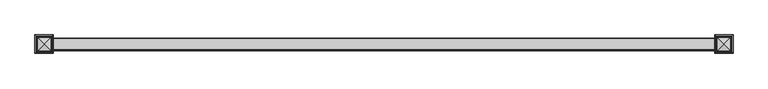
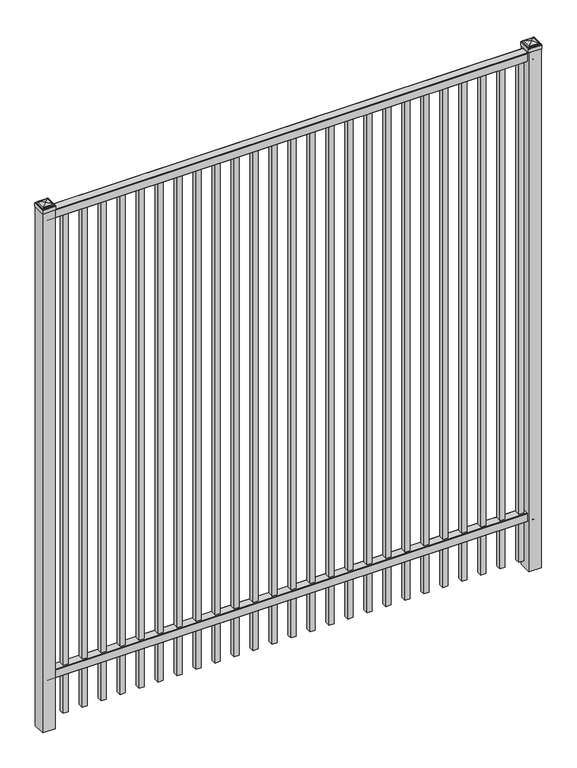
"""IFC4 building model written with IfcOpenShell, lengths in millimetres: railing geometry."""

import ifcopenshell
import ifcopenshell.guid

model = None  # the IFC model being written
_history = None  # IfcOwnerHistory: only IFC2X3 demands one
_inside = {}  # id of a spatial element -> (the spatial element, [elements in it])
_under = {}  # id of a project, library or spatial element -> (it, [spatial elements below it])
_declared = {}  # id of a project -> (the project, [libraries it declares])
_typed = {}  # id of a type object -> (the type object, [elements of that type])
_made_of = {}  # id of a material, layer set ... -> (it, [elements and type objects made of it])


def new_model(schema):
    """Start an empty IFC model of exactly this schema.

    Asked for "IFC4X3", IfcOpenShell would pick the latest addendum, in which some entities
    have other attributes; the version numbers below select the first issue.
    IFC2X3 requires an IfcOwnerHistory on every rooted entity: one is made here for all.
    """
    global model, _history
    if schema == "IFC4X3":
        model = ifcopenshell.file(schema_version=(4, 3, 0, 0))
    else:
        model = ifcopenshell.file(schema=schema)
    _inside.clear()
    _under.clear()
    _declared.clear()
    _typed.clear()
    _made_of.clear()
    _history = None
    if model.schema == "IFC2X3":
        org = make("IfcOrganization", Name="unknown")
        user = make(
            "IfcPersonAndOrganization",
            ThePerson=make("IfcPerson", FamilyName="unknown"),
            TheOrganization=org,
        )
        app = make(
            "IfcApplication",
            ApplicationDeveloper=org,
            Version="unknown",
            ApplicationFullName="unknown",
            ApplicationIdentifier="unknown",
        )
        _history = make(
            "IfcOwnerHistory",
            OwningUser=user,
            OwningApplication=app,
            ChangeAction="ADDED",
            CreationDate=0,
        )
    return model


def make(cls, **values):
    """One entity of the class cls with the attributes given. An attribute that is None is left unset."""
    return model.create_entity(
        cls, **{name: value for name, value in values.items() if value is not None}
    )


def rooted(cls, **values):
    """An entity with a GlobalId (a new one), such as an element, a storey or a relation."""
    return make(cls, GlobalId=ifcopenshell.guid.new(), OwnerHistory=_history, **values)


def si_unit(unit_type, name, prefix=None):
    """IfcSIUnit, for example si_unit("LENGTHUNIT", "METRE", prefix="MILLI")."""
    return make("IfcSIUnit", UnitType=unit_type, Prefix=prefix, Name=name)


def assignment(units):
    """IfcUnitAssignment: the units of a project."""
    return None if units is None else make("IfcUnitAssignment", Units=units)


def point(xyz):
    """IfcCartesianPoint."""
    return None if xyz is None else make("IfcCartesianPoint", Coordinates=xyz)


def direction(xyz):
    """IfcDirection."""
    return None if xyz is None else make("IfcDirection", DirectionRatios=xyz)


def frame(location, z_axis=None, x_axis=None):
    """IfcAxis2Placement3D, a coordinate frame: its origin and axes. An axis left out is left unset."""
    return make(
        "IfcAxis2Placement3D",
        Location=point(location),
        Axis=direction(z_axis),
        RefDirection=direction(x_axis),
    )


def frame_2d(location, x_axis=None):
    """IfcAxis2Placement2D, a coordinate frame in the plane: its origin and x axis."""
    return make(
        "IfcAxis2Placement2D", Location=point(location), RefDirection=direction(x_axis)
    )


def origin():
    """The frame at (0, 0, 0) with its axes left unset."""
    return frame((0.0, 0.0, 0.0))


def origin_with_axes():
    """The frame at (0, 0, 0) with the z axis (0, 0, 1) and the x axis (1, 0, 0) written out."""
    return frame((0.0, 0.0, 0.0), z_axis=(0.0, 0.0, 1.0), x_axis=(1.0, 0.0, 0.0))


def place(relative_to, where):
    """IfcLocalPlacement: puts the frame where relative to a parent placement (None: the world)."""
    return make(
        "IfcLocalPlacement", PlacementRelTo=relative_to, RelativePlacement=where
    )


def context(
    kind, dimensions, precision=None, world=None, true_north=None, identifier=None
):
    """IfcGeometricRepresentationContext, for example the 3D "Model" context."""
    return make(
        "IfcGeometricRepresentationContext",
        ContextIdentifier=identifier,
        ContextType=kind,
        CoordinateSpaceDimension=dimensions,
        Precision=precision,
        WorldCoordinateSystem=world,
        TrueNorth=true_north,
    )


def project(units=None, contexts=None):
    """IfcProject with its units and contexts."""
    return rooted(
        "IfcProject",
        Name="project",
        RepresentationContexts=contexts,
        UnitsInContext=assignment(units),
    )


def spatial(cls, under=None, at=None, **own):
    """A site, building, storey or space (cls), placed at a placement, below another one or the project."""
    s = rooted(cls, ObjectPlacement=at, **own)
    if under is not None:
        _under.setdefault(under.id(), (under, []))[1].append(s)
    return s


def polyline(points):
    """IfcPolyline through the points."""
    return make("IfcPolyline", Points=[point(p) for p in points])


def circle_curve(where, radius):
    """IfcCircle in the frame where."""
    return make("IfcCircle", Position=where, Radius=radius)


def ellipse_curve(where, semi_axis1, semi_axis2):
    """IfcEllipse in the frame where."""
    return make(
        "IfcEllipse", Position=where, SemiAxis1=semi_axis1, SemiAxis2=semi_axis2
    )


def trimmed(basis, trim1, trim2, sense, master):
    """IfcTrimmedCurve: the piece of a basis curve between two trims."""
    return make(
        "IfcTrimmedCurve",
        BasisCurve=basis,
        Trim1=trim1,
        Trim2=trim2,
        SenseAgreement=sense,
        MasterRepresentation=master,
    )


def segment(curve, same_sense, transition):
    """IfcCompositeCurveSegment."""
    return make(
        "IfcCompositeCurveSegment",
        Transition=transition,
        SameSense=same_sense,
        ParentCurve=curve,
    )


def composite_curve(segments, self_intersect=None):
    """IfcCompositeCurve: segments joined end to end."""
    return make("IfcCompositeCurve", Segments=segments, SelfIntersect=self_intersect)


def outline(outer, holes=None, kind="AREA"):
    """IfcArbitraryClosedProfileDef: a profile drawn as a closed curve; with holes, ...WithVoids."""
    if holes is None:
        return make("IfcArbitraryClosedProfileDef", ProfileType=kind, OuterCurve=outer)
    return make(
        "IfcArbitraryProfileDefWithVoids",
        ProfileType=kind,
        OuterCurve=outer,
        InnerCurves=holes,
    )


def extrude(swept, where, along, depth):
    """IfcExtrudedAreaSolid: the profile swept, set in the frame where, extruded along a direction by depth."""
    return make(
        "IfcExtrudedAreaSolid",
        SweptArea=swept,
        Position=where,
        ExtrudedDirection=direction(along),
        Depth=depth,
    )


def shape(context_of_items, identifier, shape_type, items):
    """IfcShapeRepresentation: the items that make up one representation, for example the "Body"."""
    return make(
        "IfcShapeRepresentation",
        ContextOfItems=context_of_items,
        RepresentationIdentifier=identifier,
        RepresentationType=shape_type,
        Items=items,
    )


def source(mapping_origin, context_of_items, identifier, shape_type, items):
    """IfcRepresentationMap: a shape defined once, which mapped items show again and again."""
    return make(
        "IfcRepresentationMap",
        MappingOrigin=mapping_origin,
        MappedRepresentation=shape(context_of_items, identifier, shape_type, items),
    )


def transform(
    local_origin,
    x_axis=None,
    y_axis=None,
    z_axis=None,
    scale=None,
    scale2=None,
    scale3=None,
    uniform=True,
):
    """IfcCartesianTransformationOperator3D, or its non-uniform kind. x_axis, y_axis, z_axis: its Axis1, 2, 3."""
    if uniform:
        return make(
            "IfcCartesianTransformationOperator3D",
            Axis1=direction(x_axis),
            Axis2=direction(y_axis),
            LocalOrigin=point(local_origin),
            Scale=scale,
            Axis3=direction(z_axis),
        )
    return make(
        "IfcCartesianTransformationOperator3DnonUniform",
        Axis1=direction(x_axis),
        Axis2=direction(y_axis),
        LocalOrigin=point(local_origin),
        Scale=scale,
        Axis3=direction(z_axis),
        Scale2=scale2,
        Scale3=scale3,
    )


def mapped(mapping_source, mapping_target):
    """IfcMappedItem: shows the shape of a source again, moved by a transform."""
    return make(
        "IfcMappedItem", MappingSource=mapping_source, MappingTarget=mapping_target
    )


def made_of(thing, what):
    """Note that an element or type object is made of a material, layer set ...; save() writes the relation."""
    if what is not None:
        _made_of.setdefault(what.id(), (what, []))[1].append(thing)
    return thing


def element(
    cls,
    number,
    at=None,
    inside=None,
    cuts=None,
    type_object=None,
    material=None,
    context=None,
    identifier="Body",
    shape_type=None,
    held_by="IfcProductDefinitionShape",
    body=None,
    shapes=None,
    **own,
):
    """One element of the class cls, such as IfcWall. Its Tag is "e" and its number.

    at: its placement. inside: the storey or other place that contains it. cuts: it is an
    opening in that element (IfcRelVoidsElement). A single representation is given by context,
    identifier, shape_type and body (its items); several are given by shapes. held_by: the class
    of the entity that holds the representations. save() writes the other relations.
    """
    e = rooted(cls, Tag="e%d" % number, ObjectPlacement=at, **own)
    if body is not None:
        shapes = [shape(context, identifier, shape_type, body)]
    if shapes is not None:
        e.Representation = make(held_by, Representations=shapes)
    if inside is not None:
        _inside.setdefault(inside.id(), (inside, []))[1].append(e)
    if cuts is not None:
        rooted(
            "IfcRelVoidsElement", RelatingBuildingElement=cuts, RelatedOpeningElement=e
        )
    if type_object is not None:
        _typed.setdefault(type_object.id(), (type_object, []))[1].append(e)
    return made_of(e, material)


def aggregate(whole, parts):
    """IfcRelAggregates: a whole, such as a stair, and the parts it consists of."""
    return rooted("IfcRelAggregates", RelatingObject=whole, RelatedObjects=parts)


def save(model, path):
    """Write the relations noted so far, then the file.

    IfcRelAggregates (storeys below a building ...), IfcRelContainedInSpatialStructure (elements
    in a storey), IfcRelDefinesByType, IfcRelAssociatesMaterial and IfcRelDeclares: one each for
    every whole, place, type object, material and project.
    """
    for whole, parts in _under.values():
        aggregate(whole, parts)
    for where, things in _inside.values():
        rooted(
            "IfcRelContainedInSpatialStructure",
            RelatedElements=things,
            RelatingStructure=where,
        )
    for kind, things in _typed.values():
        rooted("IfcRelDefinesByType", RelatedObjects=things, RelatingType=kind)
    for what, things in _made_of.values():
        rooted("IfcRelAssociatesMaterial", RelatedObjects=things, RelatingMaterial=what)
    for by, libraries in _declared.values():
        rooted("IfcRelDeclares", RelatingContext=by, RelatedDefinitions=libraries)
    model.write(path)


def plane_surface(at):
    """IfcPlane: the flat surface through the origin of the frame at, square to its z axis."""
    return make("IfcPlane", Position=at)


def cylinder_surface(at, radius):
    """IfcCylindricalSurface: all points at the distance radius from the z axis of the frame at."""
    return make("IfcCylindricalSurface", Position=at, Radius=radius)


def advanced_brep(points, edges, surfaces, faces):
    """IfcAdvancedBrep: a solid bounded by faces that lie on surfaces and meet in shared edges.

    An edge is (start, end): straight between two places in points (the first is 0);
    or (start, end, curve); or (start, end, curve, False) where it runs against its curve.
    A face is (place in surfaces, loops), or (place, loops, False) where it looks against
    its surface's normal. A loop lists edges by number (the first is 1), with a minus sign
    where the edge is run from its end to its start. The first loop is the outer one.
    """
    corners = [point(p) for p in points]
    vertices = [make("IfcVertexPoint", VertexGeometry=c) for c in corners]
    made = []
    for start, end, *more in edges:
        made.append(
            make(
                "IfcEdgeCurve",
                EdgeStart=vertices[start],
                EdgeEnd=vertices[end],
                EdgeGeometry=more[0] if more else make("IfcPolyline", Points=[corners[start], corners[end]]),
                SameSense=more[1] if len(more) > 1 else True,
            )
        )
    hull = []
    for where, loops, *sense in faces:
        bounds = []
        for j, loop in enumerate(loops):
            ring = [make("IfcOrientedEdge", EdgeElement=made[abs(k) - 1], Orientation=k > 0) for k in loop]
            bounds.append(
                make(
                    "IfcFaceOuterBound" if j == 0 else "IfcFaceBound",
                    Bound=make("IfcEdgeLoop", EdgeList=ring),
                    Orientation=True,
                )
            )
        hull.append(make("IfcAdvancedFace", Bounds=bounds, FaceSurface=surfaces[where], SameSense=sense[0] if sense else True))
    return make("IfcAdvancedBrep", Outer=make("IfcClosedShell", CfsFaces=hull))


def railing_3e366024(model_context):
    return source(origin(), model_context, "Body", "SolidModel", [
        extrude(outline(composite_curve([segment(polyline([(5777.9139761, 304.8), (5815.969541, 304.8)]), True, "CONTINUOUS"), segment(trimmed(circle_curve(frame_2d((5815.969541, 301.625)), 3.175), [point((5815.969541, 304.8))], [point((5819.144541, 301.625))], False, "CARTESIAN"), True, "CONTINUOUS"), segment(polyline([(5819.144541, 301.625), (5819.144541, 262.1439893)]), True, "CONTINUOUS"), segment(trimmed(circle_curve(frame_2d((5817.3505518, 262.1439893)), 1.7939893), [point((5819.144541, 262.1439893))], [point((5817.3505518, 260.35))], False, "CARTESIAN"), True, "CONTINUOUS"), segment(polyline([(5817.3505518, 260.35), (5814.7590713, 260.35)]), True, "CONTINUOUS"), segment(trimmed(circle_curve(frame_2d((5814.7590713, 262.1359375)), 1.7859375), [point((5814.7590713, 260.35))], [point((5812.9755813, 262.0424688))], False, "CARTESIAN"), True, "CONTINUOUS"), segment(polyline([(5812.9755813, 262.0424688), (5811.4025867, 292.0569942), (5782.4364954, 292.0569942), (5780.8635007, 262.0424688)]), True, "CONTINUOUS"), segment(trimmed(circle_curve(frame_2d((5779.0800108, 262.1359375)), 1.7859375), [point((5780.8635007, 262.0424688))], [point((5779.0800108, 260.35))], False, "CARTESIAN"), True, "CONTINUOUS"), segment(polyline([(5779.0800108, 260.35), (5776.4804785, 260.35)]), True, "CONTINUOUS"), segment(trimmed(circle_curve(frame_2d((5776.4804785, 262.1359375)), 1.7859375), [point((5776.4804785, 260.35))], [point((5774.694541, 262.1359375))], False, "CARTESIAN"), True, "CONTINUOUS"), segment(polyline([(5774.694541, 262.1359375), (5774.694541, 301.5805649)]), True, "CONTINUOUS"), segment(trimmed(circle_curve(frame_2d((5777.9139761, 301.5805649)), 3.2194351), [point((5774.694541, 301.5805649))], [point((5777.9139761, 304.8))], False, "CARTESIAN"), True, "CONTINUOUS")], self_intersect=False)), frame((-15337.0649936, 0.0, 0.0), z_axis=(1.0, 0.0, 0.0), x_axis=(0.0, 1.0, 0.0)), (0.0, 0.0, 1.0), 2438.4),
        extrude(outline(composite_curve([segment(polyline([(5777.9139761, 2743.2), (5815.969541, 2743.2)]), True, "CONTINUOUS"), segment(trimmed(circle_curve(frame_2d((5815.969541, 2740.025)), 3.175), [point((5815.969541, 2743.2))], [point((5819.144541, 2740.025))], False, "CARTESIAN"), True, "CONTINUOUS"), segment(polyline([(5819.144541, 2740.025), (5819.144541, 2700.5439893)]), True, "CONTINUOUS"), segment(trimmed(circle_curve(frame_2d((5817.3505518, 2700.5439893)), 1.7939893), [point((5819.144541, 2700.5439893))], [point((5817.3505518, 2698.75))], False, "CARTESIAN"), True, "CONTINUOUS"), segment(polyline([(5817.3505518, 2698.75), (5814.7590713, 2698.75)]), True, "CONTINUOUS"), segment(trimmed(circle_curve(frame_2d((5814.7590713, 2700.5359375)), 1.7859375), [point((5814.7590713, 2698.75))], [point((5812.9755813, 2700.4424688))], False, "CARTESIAN"), True, "CONTINUOUS"), segment(polyline([(5812.9755813, 2700.4424688), (5811.4025867, 2730.4569942), (5782.4364954, 2730.4569942), (5780.8635007, 2700.4424688)]), True, "CONTINUOUS"), segment(trimmed(circle_curve(frame_2d((5779.0800108, 2700.5359375)), 1.7859375), [point((5780.8635007, 2700.4424688))], [point((5779.0800108, 2698.75))], False, "CARTESIAN"), True, "CONTINUOUS"), segment(polyline([(5779.0800108, 2698.75), (5776.4804785, 2698.75)]), True, "CONTINUOUS"), segment(trimmed(circle_curve(frame_2d((5776.4804785, 2700.5359375)), 1.7859375), [point((5776.4804785, 2698.75))], [point((5774.694541, 2700.5359375))], False, "CARTESIAN"), True, "CONTINUOUS"), segment(polyline([(5774.694541, 2700.5359375), (5774.694541, 2739.9805649)]), True, "CONTINUOUS"), segment(trimmed(circle_curve(frame_2d((5777.9139761, 2739.9805649)), 3.2194351), [point((5774.694541, 2739.9805649))], [point((5777.9139761, 2743.2))], False, "CARTESIAN"), True, "CONTINUOUS")], self_intersect=False)), frame((-15337.0649936, 0.0, 0.0), z_axis=(1.0, 0.0, 0.0), x_axis=(0.0, 1.0, 0.0)), (0.0, 0.0, 1.0), 2438.4),
        extrude(outline(polyline([(0.0, -2647.95), (0.0, 0.0), (25.4, 0.0), (25.4, -2647.95), (0.0, -2647.95)])), frame((-12943.1149864, 5809.619541, 2698.75), z_axis=(-1.0, 0.0, 1.5671138008369403e-09), x_axis=(0.0, -1.0, 0.0)), (0.0, 0.0, 1.0), 25.4),
        extrude(outline(polyline([(0.0, -2647.95), (0.0, 0.0), (25.4, 0.0), (25.4, -2647.95), (0.0, -2647.95)])), frame((-13038.3649864, 5809.619541, 2698.75), z_axis=(-1.0, 0.0, 1.5671138008369403e-09), x_axis=(0.0, -1.0, 0.0)), (0.0, 0.0, 1.0), 25.4),
        extrude(outline(polyline([(0.0, -2647.95), (0.0, 0.0), (25.4, 0.0), (25.4, -2647.95), (0.0, -2647.95)])), frame((-13133.6149864, 5809.619541, 2698.75), z_axis=(-1.0, 0.0, 1.5671138008369403e-09), x_axis=(0.0, -1.0, 0.0)), (0.0, 0.0, 1.0), 25.4),
        extrude(outline(polyline([(0.0, -2647.95), (0.0, 0.0), (25.4, 0.0), (25.4, -2647.95), (0.0, -2647.95)])), frame((-13228.8649864, 5809.619541, 2698.75), z_axis=(-1.0, 0.0, 1.5671138008369403e-09), x_axis=(0.0, -1.0, 0.0)), (0.0, 0.0, 1.0), 25.4),
        extrude(outline(polyline([(0.0, -2647.95), (0.0, 0.0), (25.4, 0.0), (25.4, -2647.95), (0.0, -2647.95)])), frame((-13324.1149864, 5809.619541, 2698.75), z_axis=(-1.0, 0.0, 1.5671138008369403e-09), x_axis=(0.0, -1.0, 0.0)), (0.0, 0.0, 1.0), 25.4),
        extrude(outline(polyline([(0.0, -2647.95), (0.0, 0.0), (25.4, 0.0), (25.4, -2647.95), (0.0, -2647.95)])), frame((-13419.3649864, 5809.619541, 2698.75), z_axis=(-1.0, 0.0, 1.5671138008369403e-09), x_axis=(0.0, -1.0, 0.0)), (0.0, 0.0, 1.0), 25.4),
        extrude(outline(polyline([(0.0, -2647.95), (0.0, 0.0), (25.4, 0.0), (25.4, -2647.95), (0.0, -2647.95)])), frame((-13514.6149864, 5809.619541, 2698.75), z_axis=(-1.0, 0.0, 1.5671138008369403e-09), x_axis=(0.0, -1.0, 0.0)), (0.0, 0.0, 1.0), 25.4),
        extrude(outline(polyline([(0.0, -2647.95), (0.0, 0.0), (25.4, 0.0), (25.4, -2647.95), (0.0, -2647.95)])), frame((-13609.8649864, 5809.619541, 2698.75), z_axis=(-1.0, 0.0, 1.5671138008369403e-09), x_axis=(0.0, -1.0, 0.0)), (0.0, 0.0, 1.0), 25.4),
        extrude(outline(polyline([(0.0, -2647.95), (0.0, 0.0), (25.4, 0.0), (25.4, -2647.95), (0.0, -2647.95)])), frame((-13705.1149864, 5809.619541, 2698.75), z_axis=(-1.0, 0.0, 1.5671138008369403e-09), x_axis=(0.0, -1.0, 0.0)), (0.0, 0.0, 1.0), 25.4),
        extrude(outline(polyline([(0.0, -2647.95), (0.0, 0.0), (25.4, 0.0), (25.4, -2647.95), (0.0, -2647.95)])), frame((-13800.3649864, 5809.619541, 2698.75), z_axis=(-1.0, 0.0, 1.5671138008369403e-09), x_axis=(0.0, -1.0, 0.0)), (0.0, 0.0, 1.0), 25.4),
        extrude(outline(polyline([(0.0, -2647.95), (0.0, 0.0), (25.4, 0.0), (25.4, -2647.95), (0.0, -2647.95)])), frame((-13895.6149864, 5809.619541, 2698.75), z_axis=(-1.0, 0.0, 1.5671138008369403e-09), x_axis=(0.0, -1.0, 0.0)), (0.0, 0.0, 1.0), 25.4),
        extrude(outline(polyline([(0.0, -2647.95), (0.0, 0.0), (25.4, 0.0), (25.4, -2647.95), (0.0, -2647.95)])), frame((-13990.8649864, 5809.619541, 2698.75), z_axis=(-1.0, 0.0, 1.5671138008369403e-09), x_axis=(0.0, -1.0, 0.0)), (0.0, 0.0, 1.0), 25.4),
        extrude(outline(polyline([(0.0, -2647.95), (0.0, 0.0), (25.4, 0.0), (25.4, -2647.95), (0.0, -2647.95)])), frame((-14086.1149864, 5809.619541, 2698.75), z_axis=(-1.0, 0.0, 1.5671138008369403e-09), x_axis=(0.0, -1.0, 0.0)), (0.0, 0.0, 1.0), 25.4),
        extrude(outline(polyline([(0.0, -2647.95), (0.0, 0.0), (25.4, 0.0), (25.4, -2647.95), (0.0, -2647.95)])), frame((-14181.3649864, 5809.619541, 2698.75), z_axis=(-1.0, 0.0, 1.5671138008369403e-09), x_axis=(0.0, -1.0, 0.0)), (0.0, 0.0, 1.0), 25.4),
        extrude(outline(polyline([(0.0, -2647.95), (0.0, 0.0), (25.4, 0.0), (25.4, -2647.95), (0.0, -2647.95)])), frame((-14276.6149864, 5809.619541, 2698.75), z_axis=(-1.0, 0.0, 1.5671138008369403e-09), x_axis=(0.0, -1.0, 0.0)), (0.0, 0.0, 1.0), 25.4),
        extrude(outline(polyline([(0.0, -2647.95), (0.0, 0.0), (25.4, 0.0), (25.4, -2647.95), (0.0, -2647.95)])), frame((-14371.8649864, 5809.619541, 2698.75), z_axis=(-1.0, 0.0, 1.5671138008369403e-09), x_axis=(0.0, -1.0, 0.0)), (0.0, 0.0, 1.0), 25.4),
        extrude(outline(polyline([(0.0, -2647.95), (0.0, 0.0), (25.4, 0.0), (25.4, -2647.95), (0.0, -2647.95)])), frame((-14467.1149864, 5809.619541, 2698.75), z_axis=(-1.0, 0.0, 1.5671138008369403e-09), x_axis=(0.0, -1.0, 0.0)), (0.0, 0.0, 1.0), 25.4),
        extrude(outline(polyline([(0.0, -2647.95), (0.0, 0.0), (25.4, 0.0), (25.4, -2647.95), (0.0, -2647.95)])), frame((-14562.3649864, 5809.619541, 2698.75), z_axis=(-1.0, 0.0, 1.5671138008369403e-09), x_axis=(0.0, -1.0, 0.0)), (0.0, 0.0, 1.0), 25.4),
        extrude(outline(polyline([(0.0, -2647.95), (0.0, 0.0), (25.4, 0.0), (25.4, -2647.95), (0.0, -2647.95)])), frame((-14657.6149864, 5809.619541, 2698.75), z_axis=(-1.0, 0.0, 1.5671138008369403e-09), x_axis=(0.0, -1.0, 0.0)), (0.0, 0.0, 1.0), 25.4),
        extrude(outline(polyline([(0.0, -2647.95), (0.0, 0.0), (25.4, 0.0), (25.4, -2647.95), (0.0, -2647.95)])), frame((-14752.8649864, 5809.619541, 2698.75), z_axis=(-1.0, 0.0, 1.5671138008369403e-09), x_axis=(0.0, -1.0, 0.0)), (0.0, 0.0, 1.0), 25.4),
        extrude(outline(polyline([(0.0, -2647.95), (0.0, 0.0), (25.4, 0.0), (25.4, -2647.95), (0.0, -2647.95)])), frame((-14848.1149864, 5809.619541, 2698.75), z_axis=(-1.0, 0.0, 1.5671138008369403e-09), x_axis=(0.0, -1.0, 0.0)), (0.0, 0.0, 1.0), 25.4),
        extrude(outline(polyline([(0.0, -2647.95), (0.0, 0.0), (25.4, 0.0), (25.4, -2647.95), (0.0, -2647.95)])), frame((-14943.3649864, 5809.619541, 2698.75), z_axis=(-1.0, 0.0, 1.5671138008369403e-09), x_axis=(0.0, -1.0, 0.0)), (0.0, 0.0, 1.0), 25.4),
        extrude(outline(polyline([(0.0, -2647.95), (0.0, 0.0), (25.4, 0.0), (25.4, -2647.95), (0.0, -2647.95)])), frame((-15038.6149864, 5809.619541, 2698.75), z_axis=(-1.0, 0.0, 1.5671138008369403e-09), x_axis=(0.0, -1.0, 0.0)), (0.0, 0.0, 1.0), 25.4),
        extrude(outline(polyline([(0.0, -2647.95), (0.0, 0.0), (25.4, 0.0), (25.4, -2647.95), (0.0, -2647.95)])), frame((-15133.8649864, 5809.619541, 2698.75), z_axis=(-1.0, 0.0, 1.5671138008369403e-09), x_axis=(0.0, -1.0, 0.0)), (0.0, 0.0, 1.0), 25.4),
        extrude(outline(polyline([(0.0, -2647.95), (0.0, 0.0), (25.4, 0.0), (25.4, -2647.95), (0.0, -2647.95)])), frame((-15229.1149864, 5809.619541, 2698.75), z_axis=(-1.0, 0.0, 1.5671138008369403e-09), x_axis=(0.0, -1.0, 0.0)), (0.0, 0.0, 1.0), 25.4),
        extrude(outline(polyline([(-12866.9149936, 5828.669541), (-12866.9149936, 5765.169541), (-12930.4149936, 5765.169541), (-12930.4149936, 5828.669541), (-12866.9149936, 5828.669541)])), origin_with_axes(), (0.0, 0.0, 1.0), 2751.1375),
        advanced_brep(
        [(-12932.0024936, 5830.257041, 2769.39375), (-12932.0024936, 5830.257041, 2751.1375), (-12932.0024936, 5763.582041, 2751.1375), (-12932.0024936, 5763.582041, 2769.39375), (-12929.6212436, 5827.875791, 2771.775), (-12929.6212436, 5765.963291, 2771.775), (-12927.2399936, 5825.494541, 2774.15625), (-12927.2399936, 5825.494541, 2771.775), (-12927.2399936, 5768.344541, 2771.775), (-12927.2399936, 5768.344541, 2774.15625), (-12924.8587436, 5823.113291, 2776.5375), (-12924.8587436, 5770.725791, 2776.5375), (-12898.6649936, 5796.919541, 2782.8875), (-12922.4774936, 5820.732041, 2776.5375), (-12922.4774936, 5773.107041, 2776.5375), (-12865.3274936, 5763.582041, 2751.1375), (-12865.3274936, 5763.582041, 2769.39375), (-12867.7087436, 5765.963291, 2771.775), (-12870.0899936, 5768.344541, 2771.775), (-12870.0899936, 5768.344541, 2774.15625), (-12872.4712436, 5770.725791, 2776.5375), (-12874.8524936, 5773.107041, 2776.5375), (-12865.3274936, 5830.257041, 2751.1375), (-12865.3274936, 5830.257041, 2769.39375), (-12867.7087436, 5827.875791, 2771.775), (-12870.0899936, 5825.494541, 2771.775), (-12870.0899936, 5825.494541, 2774.15625), (-12872.4712436, 5823.113291, 2776.5375), (-12874.8524936, 5820.732041, 2776.5375)],
        [
            (0, 1),
            (1, 2),
            (2, 3),
            (3, 0),
            (4, 0, ellipse_curve(frame((-12929.6212436, 5827.875791, 2769.39375), z_axis=(-0.70710678118655, -0.7071067811865449, 0.0), x_axis=(-0.7071067811865448, 0.7071067811865501, 0.0)), 3.367596, 2.38125)),
            (3, 5, ellipse_curve(frame((-12929.6212436, 5765.963291, 2769.39375), z_axis=(-0.7071067811865449, 0.70710678118655, 0.0), x_axis=(0.7071067811865499, 0.707106781186545, 0.0)), 3.367596, 2.38125)),
            (5, 4),
            (6, 7),
            (7, 8),
            (8, 9),
            (9, 6),
            (10, 6, ellipse_curve(frame((-12924.8587436, 5823.113291, 2774.15625), z_axis=(-0.70710678118655, -0.7071067811865449, 0.0), x_axis=(-0.7071067811865448, 0.7071067811865501, 0.0)), 3.367596, 2.38125)),
            (9, 11, ellipse_curve(frame((-12924.8587436, 5770.725791, 2774.15625), z_axis=(-0.7071067811865449, 0.70710678118655, 0.0), x_axis=(0.7071067811865499, 0.707106781186545, 0.0)), 3.367596, 2.38125)),
            (11, 10),
            (12, 13, ellipse_curve(frame((-12898.6649936, 5796.919541, 2735.0640625), z_axis=(-0.70710678118655, -0.7071067811865449, 0.0), x_axis=(-0.7071067811865448, 0.7071067811865501, 0.0)), 67.6325539, 47.8234375)),
            (13, 14),
            (14, 12, ellipse_curve(frame((-12898.6649936, 5796.919541, 2735.0640625), z_axis=(-0.7071067811865449, 0.70710678118655, 0.0), x_axis=(0.7071067811865499, 0.707106781186545, 0.0)), 67.6325539, 47.8234375)),
            (2, 15),
            (15, 16),
            (16, 3),
            (16, 17, ellipse_curve(frame((-12867.7087436, 5765.963291, 2769.39375), z_axis=(-0.70710678118655, -0.707106781186545, 0.0), x_axis=(-0.707106781186545, 0.70710678118655, 0.0)), 3.367596, 2.38125)),
            (17, 5),
            (8, 18),
            (18, 19),
            (19, 9),
            (19, 20, ellipse_curve(frame((-12872.4712436, 5770.725791, 2774.15625), z_axis=(-0.70710678118655, -0.707106781186545, 0.0), x_axis=(-0.707106781186545, 0.70710678118655, 0.0)), 3.367596, 2.38125)),
            (20, 11),
            (14, 21),
            (21, 12, ellipse_curve(frame((-12898.6649936, 5796.919541, 2735.0640625), z_axis=(-0.70710678118655, -0.707106781186545, 0.0), x_axis=(-0.707106781186545, 0.70710678118655, 0.0)), 67.6325539, 47.8234375)),
            (15, 22),
            (22, 23),
            (23, 16),
            (23, 24, ellipse_curve(frame((-12867.7087436, 5827.875791, 2769.39375), z_axis=(0.707106781186545, -0.7071067811865499, 0.0), x_axis=(-0.7071067811865497, -0.7071067811865452, 0.0)), 3.367596, 2.38125)),
            (24, 17),
            (18, 25),
            (25, 26),
            (26, 19),
            (26, 27, ellipse_curve(frame((-12872.4712436, 5823.113291, 2774.15625), z_axis=(0.707106781186545, -0.7071067811865499, 0.0), x_axis=(-0.7071067811865497, -0.7071067811865452, 0.0)), 3.367596, 2.38125)),
            (27, 20),
            (21, 28),
            (28, 12, ellipse_curve(frame((-12898.6649936, 5796.919541, 2735.0640625), z_axis=(0.707106781186545, -0.7071067811865499, 0.0), x_axis=(-0.7071067811865497, -0.7071067811865452, 0.0)), 67.6325539, 47.8234375)),
            (22, 1),
            (0, 23),
            (4, 24),
            (7, 25),
            (6, 26),
            (10, 27),
            (13, 28),
        ],
        [
            plane_surface(frame((-12932.0024936, 5830.257041, 2751.1375), z_axis=(-1.0, 0.0, 0.0), x_axis=(0.0, -1.0, 0.0))),
            cylinder_surface(frame((-12929.6212436, 5828.669541, 2769.39375), z_axis=(0.0, 1.0, 0.0), x_axis=(1.0, 0.0, 0.0)), 2.38125),
            plane_surface(frame((-12927.2399936, 5825.494541, 2771.775), z_axis=(-1.0, 0.0, 0.0), x_axis=(0.0, -1.0, 0.0))),
            cylinder_surface(frame((-12924.8587436, 5828.669541, 2774.15625), z_axis=(0.0, 1.0, 0.0), x_axis=(1.0, 0.0, 0.0)), 2.38125),
            cylinder_surface(frame((-12898.6649936, 5828.669541, 2735.0640625), z_axis=(0.0, 1.0, 0.0), x_axis=(1.0, 0.0, 0.0)), 47.8234375),
            plane_surface(frame((-12932.0024936, 5763.582041, 2751.1375), z_axis=(0.0, -1.0, 0.0), x_axis=(1.0, 0.0, 0.0))),
            cylinder_surface(frame((-12930.4149936, 5765.963291, 2769.39375), z_axis=(-1.0, 0.0, 0.0), x_axis=(0.0, 1.0, 0.0)), 2.38125),
            plane_surface(frame((-12927.2399936, 5768.344541, 2771.775), z_axis=(0.0, -1.0, 0.0), x_axis=(1.0, 0.0, 0.0))),
            cylinder_surface(frame((-12930.4149936, 5770.725791, 2774.15625), z_axis=(-1.0, 0.0, 0.0), x_axis=(0.0, 1.0, 0.0)), 2.38125),
            cylinder_surface(frame((-12930.4149936, 5796.919541, 2735.0640625), z_axis=(-1.0, 0.0, 0.0), x_axis=(0.0, 1.0, 0.0)), 47.8234375),
            plane_surface(frame((-12865.3274936, 5763.582041, 2751.1375), z_axis=(1.0, 0.0, 0.0), x_axis=(0.0, 1.0, 0.0))),
            cylinder_surface(frame((-12867.7087436, 5765.169541, 2769.39375), z_axis=(0.0, -1.0, 0.0), x_axis=(-1.0, 0.0, 0.0)), 2.38125),
            plane_surface(frame((-12870.0899936, 5768.344541, 2771.775), z_axis=(1.0, 0.0, 0.0), x_axis=(0.0, 1.0, 0.0))),
            cylinder_surface(frame((-12872.4712436, 5765.169541, 2774.15625), z_axis=(0.0, -1.0, 0.0), x_axis=(-1.0, 0.0, 0.0)), 2.38125),
            cylinder_surface(frame((-12898.6649936, 5765.169541, 2735.0640625), z_axis=(0.0, -1.0, 0.0), x_axis=(-1.0, 0.0, 0.0)), 47.8234375),
            plane_surface(frame((-12865.3274936, 5830.257041, 2751.1375), z_axis=(0.0, 1.0, 0.0), x_axis=(-1.0, 0.0, 0.0))),
            cylinder_surface(frame((-12866.9149936, 5827.875791, 2769.39375), z_axis=(1.0, 0.0, 0.0), x_axis=(0.0, -1.0, 0.0)), 2.38125),
            plane_surface(frame((-12867.7087436, 5827.875791, 2771.775), z_axis=(0.0, 0.0, 1.0), x_axis=(-1.0, 0.0, 0.0))),
            plane_surface(frame((-12870.0899936, 5825.494541, 2771.775), z_axis=(0.0, 1.0, 0.0), x_axis=(-1.0, 0.0, 0.0))),
            cylinder_surface(frame((-12866.9149936, 5823.113291, 2774.15625), z_axis=(1.0, 0.0, 0.0), x_axis=(0.0, -1.0, 0.0)), 2.38125),
            plane_surface(frame((-12872.4712436, 5823.113291, 2776.5375), z_axis=(0.0, 0.0, 1.0), x_axis=(-1.0, 0.0, 0.0))),
            cylinder_surface(frame((-12866.9149936, 5796.919541, 2735.0640625), z_axis=(1.0, 0.0, 0.0), x_axis=(0.0, -1.0, 0.0)), 47.8234375),
            plane_surface(frame((-12898.6649936, 5796.919541, 2751.1375), z_axis=(0.0, 0.0, -1.0), x_axis=(-1.0, 0.0, 0.0))),
        ],
        [
            (0, [[1, 2, 3, 4]]),
            (1, [[5, -4, 6, 7]]),
            (2, [[8, 9, 10, 11]]),
            (3, [[12, -11, 13, 14]]),
            (4, [[15, 16, 17]]),
            (5, [[-3, 18, 19, 20]]),
            (6, [[-6, -20, 21, 22]]),
            (7, [[-10, 23, 24, 25]]),
            (8, [[-13, -25, 26, 27]]),
            (9, [[-17, 28, 29]]),
            (10, [[-19, 30, 31, 32]]),
            (11, [[-21, -32, 33, 34]]),
            (12, [[-24, 35, 36, 37]]),
            (13, [[-26, -37, 38, 39]]),
            (14, [[-29, 40, 41]]),
            (15, [[-31, 42, -1, 43]]),
            (16, [[-33, -43, -5, 44]]),
            (17, [[-22, -34, -44, -7], [45, -35, -23, -9]]),
            (18, [[-36, -45, -8, 46]]),
            (19, [[-38, -46, -12, 47]]),
            (20, [[-27, -39, -47, -14], [48, -40, -28, -16]]),
            (21, [[-41, -48, -15]]),
            (22, [[-42, -30, -18, -2]]),
        ],
    ),
        extrude(outline(polyline([(-15305.3149936, 5828.669541), (-15305.3149936, 5765.169541), (-15368.8149936, 5765.169541), (-15368.8149936, 5828.669541), (-15305.3149936, 5828.669541)])), origin_with_axes(), (0.0, 0.0, 1.0), 2751.1375),
        advanced_brep(
        [(-15370.4024936, 5830.257041, 2769.39375), (-15370.4024936, 5830.257041, 2751.1375), (-15370.4024936, 5763.582041, 2751.1375), (-15370.4024936, 5763.582041, 2769.39375), (-15368.0212436, 5827.875791, 2771.775), (-15368.0212436, 5765.963291, 2771.775), (-15365.6399936, 5825.494541, 2774.15625), (-15365.6399936, 5825.494541, 2771.775), (-15365.6399936, 5768.344541, 2771.775), (-15365.6399936, 5768.344541, 2774.15625), (-15363.2587436, 5823.113291, 2776.5375), (-15363.2587436, 5770.725791, 2776.5375), (-15337.0649936, 5796.919541, 2782.8875), (-15360.8774936, 5820.732041, 2776.5375), (-15360.8774936, 5773.107041, 2776.5375), (-15303.7274936, 5763.582041, 2751.1375), (-15303.7274936, 5763.582041, 2769.39375), (-15306.1087436, 5765.963291, 2771.775), (-15308.4899936, 5768.344541, 2771.775), (-15308.4899936, 5768.344541, 2774.15625), (-15310.8712436, 5770.725791, 2776.5375), (-15313.2524936, 5773.107041, 2776.5375), (-15303.7274936, 5830.257041, 2751.1375), (-15303.7274936, 5830.257041, 2769.39375), (-15306.1087436, 5827.875791, 2771.775), (-15308.4899936, 5825.494541, 2771.775), (-15308.4899936, 5825.494541, 2774.15625), (-15310.8712436, 5823.113291, 2776.5375), (-15313.2524936, 5820.732041, 2776.5375)],
        [
            (0, 1),
            (1, 2),
            (2, 3),
            (3, 0),
            (4, 0, ellipse_curve(frame((-15368.0212436, 5827.875791, 2769.39375), z_axis=(-0.70710678118655, -0.7071067811865449, 0.0), x_axis=(-0.7071067811865448, 0.7071067811865501, 0.0)), 3.367596, 2.38125)),
            (3, 5, ellipse_curve(frame((-15368.0212436, 5765.963291, 2769.39375), z_axis=(-0.7071067811865449, 0.70710678118655, 0.0), x_axis=(0.7071067811865499, 0.707106781186545, 0.0)), 3.367596, 2.38125)),
            (5, 4),
            (6, 7),
            (7, 8),
            (8, 9),
            (9, 6),
            (10, 6, ellipse_curve(frame((-15363.2587436, 5823.113291, 2774.15625), z_axis=(-0.70710678118655, -0.7071067811865449, 0.0), x_axis=(-0.7071067811865448, 0.7071067811865501, 0.0)), 3.367596, 2.38125)),
            (9, 11, ellipse_curve(frame((-15363.2587436, 5770.725791, 2774.15625), z_axis=(-0.7071067811865449, 0.70710678118655, 0.0), x_axis=(0.7071067811865499, 0.707106781186545, 0.0)), 3.367596, 2.38125)),
            (11, 10),
            (12, 13, ellipse_curve(frame((-15337.0649936, 5796.919541, 2735.0640625), z_axis=(-0.70710678118655, -0.7071067811865449, 0.0), x_axis=(-0.7071067811865448, 0.7071067811865501, 0.0)), 67.6325539, 47.8234375)),
            (13, 14),
            (14, 12, ellipse_curve(frame((-15337.0649936, 5796.919541, 2735.0640625), z_axis=(-0.7071067811865449, 0.70710678118655, 0.0), x_axis=(0.7071067811865499, 0.707106781186545, 0.0)), 67.6325539, 47.8234375)),
            (2, 15),
            (15, 16),
            (16, 3),
            (16, 17, ellipse_curve(frame((-15306.1087436, 5765.963291, 2769.39375), z_axis=(-0.70710678118655, -0.707106781186545, 0.0), x_axis=(-0.707106781186545, 0.70710678118655, 0.0)), 3.367596, 2.38125)),
            (17, 5),
            (8, 18),
            (18, 19),
            (19, 9),
            (19, 20, ellipse_curve(frame((-15310.8712436, 5770.725791, 2774.15625), z_axis=(-0.70710678118655, -0.707106781186545, 0.0), x_axis=(-0.707106781186545, 0.70710678118655, 0.0)), 3.367596, 2.38125)),
            (20, 11),
            (14, 21),
            (21, 12, ellipse_curve(frame((-15337.0649936, 5796.919541, 2735.0640625), z_axis=(-0.70710678118655, -0.707106781186545, 0.0), x_axis=(-0.707106781186545, 0.70710678118655, 0.0)), 67.6325539, 47.8234375)),
            (15, 22),
            (22, 23),
            (23, 16),
            (23, 24, ellipse_curve(frame((-15306.1087436, 5827.875791, 2769.39375), z_axis=(0.707106781186545, -0.7071067811865499, 0.0), x_axis=(-0.7071067811865497, -0.7071067811865452, 0.0)), 3.367596, 2.38125)),
            (24, 17),
            (18, 25),
            (25, 26),
            (26, 19),
            (26, 27, ellipse_curve(frame((-15310.8712436, 5823.113291, 2774.15625), z_axis=(0.707106781186545, -0.7071067811865499, 0.0), x_axis=(-0.7071067811865497, -0.7071067811865452, 0.0)), 3.367596, 2.38125)),
            (27, 20),
            (21, 28),
            (28, 12, ellipse_curve(frame((-15337.0649936, 5796.919541, 2735.0640625), z_axis=(0.707106781186545, -0.7071067811865499, 0.0), x_axis=(-0.7071067811865497, -0.7071067811865452, 0.0)), 67.6325539, 47.8234375)),
            (22, 1),
            (0, 23),
            (4, 24),
            (7, 25),
            (6, 26),
            (10, 27),
            (13, 28),
        ],
        [
            plane_surface(frame((-15370.4024936, 5830.257041, 2751.1375), z_axis=(-1.0, 0.0, 0.0), x_axis=(0.0, -1.0, 0.0))),
            cylinder_surface(frame((-15368.0212436, 5828.669541, 2769.39375), z_axis=(0.0, 1.0, 0.0), x_axis=(1.0, 0.0, 0.0)), 2.38125),
            plane_surface(frame((-15365.6399936, 5825.494541, 2771.775), z_axis=(-1.0, 0.0, 0.0), x_axis=(0.0, -1.0, 0.0))),
            cylinder_surface(frame((-15363.2587436, 5828.669541, 2774.15625), z_axis=(0.0, 1.0, 0.0), x_axis=(1.0, 0.0, 0.0)), 2.38125),
            cylinder_surface(frame((-15337.0649936, 5828.669541, 2735.0640625), z_axis=(0.0, 1.0, 0.0), x_axis=(1.0, 0.0, 0.0)), 47.8234375),
            plane_surface(frame((-15370.4024936, 5763.582041, 2751.1375), z_axis=(0.0, -1.0, 0.0), x_axis=(1.0, 0.0, 0.0))),
            cylinder_surface(frame((-15368.8149936, 5765.963291, 2769.39375), z_axis=(-1.0, 0.0, 0.0), x_axis=(0.0, 1.0, 0.0)), 2.38125),
            plane_surface(frame((-15365.6399936, 5768.344541, 2771.775), z_axis=(0.0, -1.0, 0.0), x_axis=(1.0, 0.0, 0.0))),
            cylinder_surface(frame((-15368.8149936, 5770.725791, 2774.15625), z_axis=(-1.0, 0.0, 0.0), x_axis=(0.0, 1.0, 0.0)), 2.38125),
            cylinder_surface(frame((-15368.8149936, 5796.919541, 2735.0640625), z_axis=(-1.0, 0.0, 0.0), x_axis=(0.0, 1.0, 0.0)), 47.8234375),
            plane_surface(frame((-15303.7274936, 5763.582041, 2751.1375), z_axis=(1.0, 0.0, 0.0), x_axis=(0.0, 1.0, 0.0))),
            cylinder_surface(frame((-15306.1087436, 5765.169541, 2769.39375), z_axis=(0.0, -1.0, 0.0), x_axis=(-1.0, 0.0, 0.0)), 2.38125),
            plane_surface(frame((-15308.4899936, 5768.344541, 2771.775), z_axis=(1.0, 0.0, 0.0), x_axis=(0.0, 1.0, 0.0))),
            cylinder_surface(frame((-15310.8712436, 5765.169541, 2774.15625), z_axis=(0.0, -1.0, 0.0), x_axis=(-1.0, 0.0, 0.0)), 2.38125),
            cylinder_surface(frame((-15337.0649936, 5765.169541, 2735.0640625), z_axis=(0.0, -1.0, 0.0), x_axis=(-1.0, 0.0, 0.0)), 47.8234375),
            plane_surface(frame((-15303.7274936, 5830.257041, 2751.1375), z_axis=(0.0, 1.0, 0.0), x_axis=(-1.0, 0.0, 0.0))),
            cylinder_surface(frame((-15305.3149936, 5827.875791, 2769.39375), z_axis=(1.0, 0.0, 0.0), x_axis=(0.0, -1.0, 0.0)), 2.38125),
            plane_surface(frame((-15306.1087436, 5827.875791, 2771.775), z_axis=(0.0, 0.0, 1.0), x_axis=(-1.0, 0.0, 0.0))),
            plane_surface(frame((-15308.4899936, 5825.494541, 2771.775), z_axis=(0.0, 1.0, 0.0), x_axis=(-1.0, 0.0, 0.0))),
            cylinder_surface(frame((-15305.3149936, 5823.113291, 2774.15625), z_axis=(1.0, 0.0, 0.0), x_axis=(0.0, -1.0, 0.0)), 2.38125),
            plane_surface(frame((-15310.8712436, 5823.113291, 2776.5375), z_axis=(0.0, 0.0, 1.0), x_axis=(-1.0, 0.0, 0.0))),
            cylinder_surface(frame((-15305.3149936, 5796.919541, 2735.0640625), z_axis=(1.0, 0.0, 0.0), x_axis=(0.0, -1.0, 0.0)), 47.8234375),
            plane_surface(frame((-15337.0649936, 5796.919541, 2751.1375), z_axis=(0.0, 0.0, -1.0), x_axis=(-1.0, 0.0, 0.0))),
        ],
        [
            (0, [[1, 2, 3, 4]]),
            (1, [[5, -4, 6, 7]]),
            (2, [[8, 9, 10, 11]]),
            (3, [[12, -11, 13, 14]]),
            (4, [[15, 16, 17]]),
            (5, [[-3, 18, 19, 20]]),
            (6, [[-6, -20, 21, 22]]),
            (7, [[-10, 23, 24, 25]]),
            (8, [[-13, -25, 26, 27]]),
            (9, [[-17, 28, 29]]),
            (10, [[-19, 30, 31, 32]]),
            (11, [[-21, -32, 33, 34]]),
            (12, [[-24, 35, 36, 37]]),
            (13, [[-26, -37, 38, 39]]),
            (14, [[-29, 40, 41]]),
            (15, [[-31, 42, -1, 43]]),
            (16, [[-33, -43, -5, 44]]),
            (17, [[-22, -34, -44, -7], [45, -35, -23, -9]]),
            (18, [[-36, -45, -8, 46]]),
            (19, [[-38, -46, -12, 47]]),
            (20, [[-27, -39, -47, -14], [48, -40, -28, -16]]),
            (21, [[-41, -48, -15]]),
            (22, [[-42, -30, -18, -2]]),
        ],
    ),
    ])


if __name__ == "__main__":
    model = new_model("IFC4")
    model_context = context("Model", 3, world=origin())
    ifc_project = project(units=[si_unit("LENGTHUNIT", "METRE", prefix="MILLI")], contexts=[model_context])
    site = spatial("IfcSite", under=ifc_project)
    building = spatial("IfcBuilding", under=site)
    placement = place(None, origin())
    railing_shape = railing_3e366024(model_context)
    element("IfcRailing", 1, at=placement, inside=building, context=model_context, shape_type="MappedRepresentation", body=[
        mapped(railing_shape, transform((0.0, 0.0, 0.0), x_axis=(1.0, 0.0, 0.0), y_axis=(0.0, 1.0, 0.0), z_axis=(0.0, 0.0, 1.0))),
    ])
    save(model, "model.ifc")
